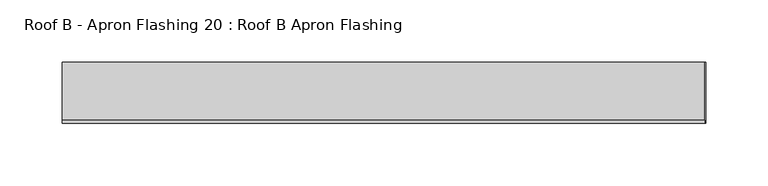
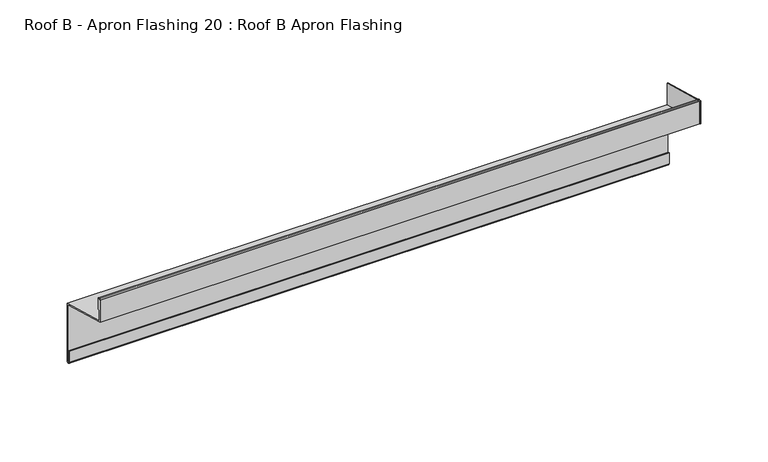
"""IFC4 building model written with IfcOpenShell, lengths in millimetres: proxy geometry, Roof B - Apron Flashing 20 : Roof B Apron Flashing."""

from ifc_helpers import new_model, si_unit, point, frame, frame_2d, origin, place, context, project, spatial, polyline, circle_curve, trimmed, segment, composite_curve, outline, extrude, source, transform, mapped, element, save


def roof_b_apron_flashing_20_roof_b_apron_flashing_c0093ef1(model_context):
    return source(origin(), model_context, "Body", "SweptSolid", [
        extrude(outline(polyline([(5608.0490096, -873.6339834), (5608.0490096, -853.130654), (5656.8026399, -866.1941499), (5656.8026399, -886.6974792), (5608.0490096, -873.6339834)])), frame((12282.4791786, 0.0, 0.0), z_axis=(1.0, 0.0, 0.0), x_axis=(0.0, 1.0, 0.0)), (0.0, 0.0, 1.0), 0.8428395),
        extrude(outline(composite_curve([segment(polyline([(5656.8026399, -885.662203), (5656.8026399, -937.6563748)]), True, "CONTINUOUS"), segment(trimmed(circle_curve(frame_2d((5655.3026399, -937.6563748)), 1.5), [point((5656.8026399, -937.6563748))], [point((5653.8026399, -937.6563748))], False, "CARTESIAN"), True, "CONTINUOUS"), segment(polyline([(5653.8026399, -937.6563748), (5653.8026399, -927.6933761), (5654.8026399, -927.6933761), (5654.8026399, -937.6563748)]), True, "CONTINUOUS"), segment(trimmed(circle_curve(frame_2d((5655.3026399, -937.6563748)), 0.5), [point((5654.8026399, -937.6563748))], [point((5655.8026399, -937.6563748))], True, "CARTESIAN"), True, "CONTINUOUS"), segment(polyline([(5655.8026399, -937.6563748), (5655.8026399, -886.42953), (5608.0490096, -873.6339834), (5608.0490096, -853.3538686)]), True, "CONTINUOUS"), segment(trimmed(circle_curve(frame_2d((5609.2990096, -853.3538686)), 1.25), [point((5608.0490096, -853.3538686))], [point((5610.5490096, -853.3538686))], False, "CARTESIAN"), True, "CONTINUOUS"), segment(polyline([(5610.5490096, -853.3538686), (5610.5490096, -862.6360034)]), True, "CONTINUOUS"), segment(trimmed(circle_curve(frame_2d((5610.0490096, -862.6360034)), 0.5), [point((5610.5490096, -862.6360034))], [point((5609.5490096, -862.6360034))], False, "CARTESIAN"), True, "CONTINUOUS"), segment(polyline([(5609.5490096, -862.6360034), (5609.5490096, -853.3538686)]), True, "CONTINUOUS"), segment(trimmed(circle_curve(frame_2d((5609.2990096, -853.3538686)), 0.25), [point((5609.5490096, -853.3538686))], [point((5609.0490096, -853.3538686))], True, "CARTESIAN"), True, "CONTINUOUS"), segment(polyline([(5609.0490096, -853.3538686), (5609.0490096, -872.8666564), (5656.8026399, -885.662203)]), True, "CONTINUOUS")], self_intersect=False)), frame((11767.4791786, 0.0, 0.0), z_axis=(1.0, 0.0, 0.0), x_axis=(0.0, 1.0, 0.0)), (0.0, 0.0, 1.0), 515.0),
    ])


if __name__ == "__main__":
    model = new_model("IFC4")
    model_context = context("Model", 3, world=origin())
    ifc_project = project(units=[si_unit("LENGTHUNIT", "METRE", prefix="MILLI")], contexts=[model_context])
    site = spatial("IfcSite", under=ifc_project)
    building = spatial("IfcBuilding", under=site)
    placement = place(None, origin())
    roof_b_apron_flashing_20_roof_b_apron_flashing_shape = roof_b_apron_flashing_20_roof_b_apron_flashing_c0093ef1(model_context)
    element("IfcBuildingElementProxy", 1, Name="Roof B - Apron Flashing 20 : Roof B Apron Flashing", ObjectType="Roof B - Apron Flashing 20 : Roof B Apron Flashing", at=placement, inside=building, context=model_context, shape_type="MappedRepresentation", body=[
        mapped(roof_b_apron_flashing_20_roof_b_apron_flashing_shape, transform((0.0, 0.0, 0.0), x_axis=(1.0, 0.0, 0.0), y_axis=(0.0, 1.0, 0.0), z_axis=(0.0, 0.0, 1.0))),
    ])
    save(model, "model.ifc")
